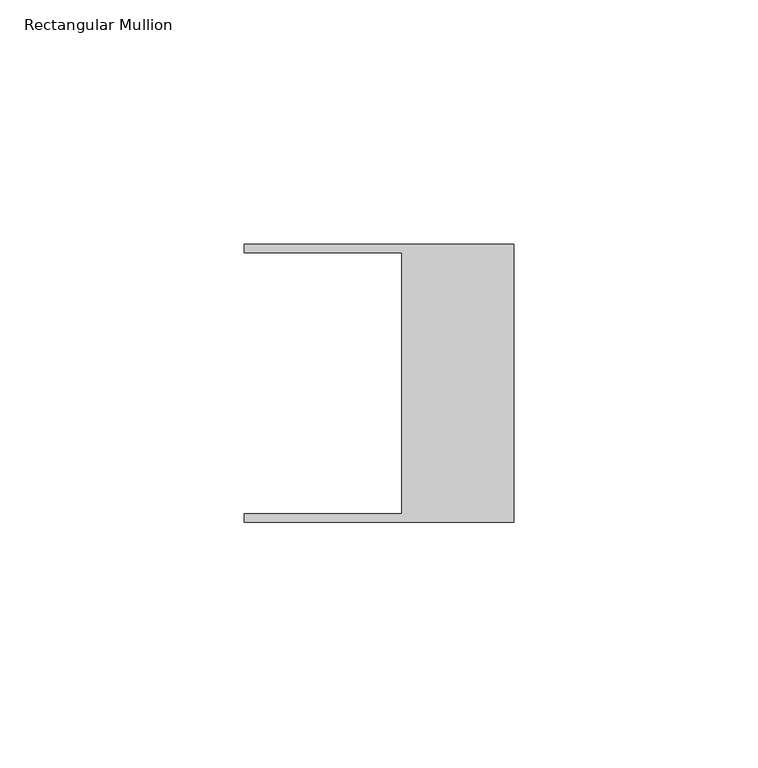
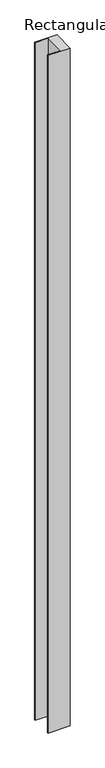
"""IFC4 building model written with IfcOpenShell, lengths in millimetres: member geometry, Rectangular Mullion."""

from ifc_helpers import new_model, si_unit, frame, origin, place, context, project, spatial, polyline, outline, extrude, source, transform, mapped, element, save


def rectangular_mullion_57d2c886(model_context):
    return source(origin(), model_context, "Body", "SweptSolid", [
        extrude(outline(polyline([(-55.118, -26.67), (-22.86, -26.67), (-22.86, 26.67), (-55.118, 26.67), (-55.118, 28.448), (0.0, 28.448), (0.0, -28.448), (-55.118, -28.448), (-55.118, -26.67)])), frame((0.0, 0.0, -1781.1622427), z_axis=(0.0, 0.0, 1.0), x_axis=(1.0, 0.0, 0.0)), (0.0, 0.0, 1.0), 1781.1622427),
    ])


if __name__ == "__main__":
    model = new_model("IFC4")
    model_context = context("Model", 3, world=origin())
    ifc_project = project(units=[si_unit("LENGTHUNIT", "METRE", prefix="MILLI")], contexts=[model_context])
    site = spatial("IfcSite", under=ifc_project)
    building = spatial("IfcBuilding", under=site)
    placement = place(None, origin())
    rectangular_mullion_shape = rectangular_mullion_57d2c886(model_context)
    element("IfcMember", 1, ObjectType="Rectangular Mullion", at=placement, inside=building, context=model_context, shape_type="MappedRepresentation", body=[
        mapped(rectangular_mullion_shape, transform((0.0, 0.0, 0.0), x_axis=(1.0, 0.0, 0.0), y_axis=(0.0, 1.0, 0.0), z_axis=(0.0, 0.0, 1.0))),
    ])
    save(model, "model.ifc")
